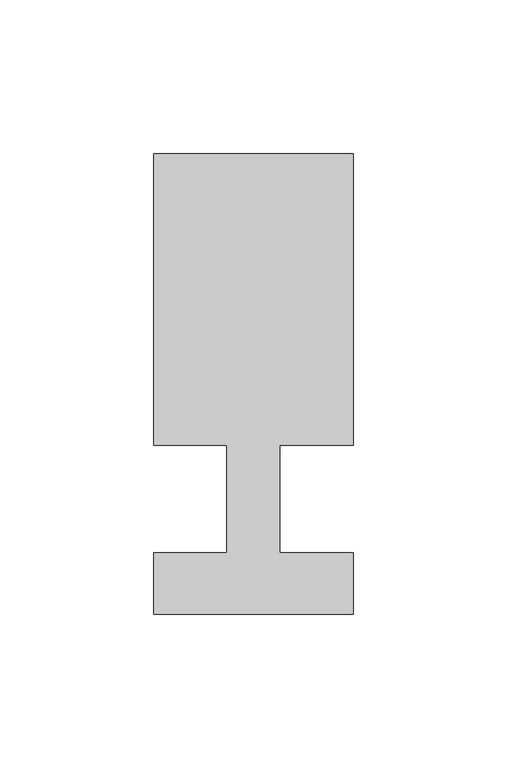
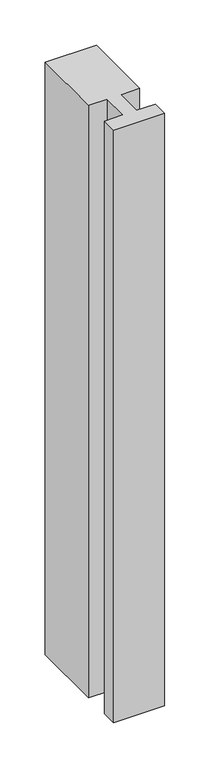
"""IFC4 building model written with IfcOpenShell, lengths in millimetres: member geometry."""

from ifc_helpers import new_model, si_unit, frame, origin, place, context, project, spatial, polyline, outline, extrude, source, transform, mapped, element, save


def member_0f77be90(model_context):
    return source(origin(), model_context, "Body", "SweptSolid", [
        extrude(outline(polyline([(-32.5, -37.0), (-32.5, -17.0), (-8.6875, -17.0), (-8.6875, 18.0), (-32.5, 18.0), (-32.5, 113.0), (32.5, 113.0), (32.5, 18.0), (8.6875, 18.0), (8.6875, -17.0), (32.5, -17.0), (32.5, -37.0), (-32.5, -37.0)])), frame((0.0, 0.0, -795.9422911), z_axis=(0.0, 0.0, 1.0), x_axis=(1.0, 0.0, 0.0)), (0.0, 0.0, 1.0), 795.9422911),
    ])


if __name__ == "__main__":
    model = new_model("IFC4")
    model_context = context("Model", 3, world=origin())
    ifc_project = project(units=[si_unit("LENGTHUNIT", "METRE", prefix="MILLI")], contexts=[model_context])
    site = spatial("IfcSite", under=ifc_project)
    building = spatial("IfcBuilding", under=site)
    placement = place(None, origin())
    member_shape = member_0f77be90(model_context)
    element("IfcMember", 1, at=placement, inside=building, context=model_context, shape_type="MappedRepresentation", body=[
        mapped(member_shape, transform((0.0, 0.0, 0.0), x_axis=(1.0, 0.0, 0.0), y_axis=(0.0, 1.0, 0.0), z_axis=(0.0, 0.0, 1.0))),
    ])
    save(model, "model.ifc")
